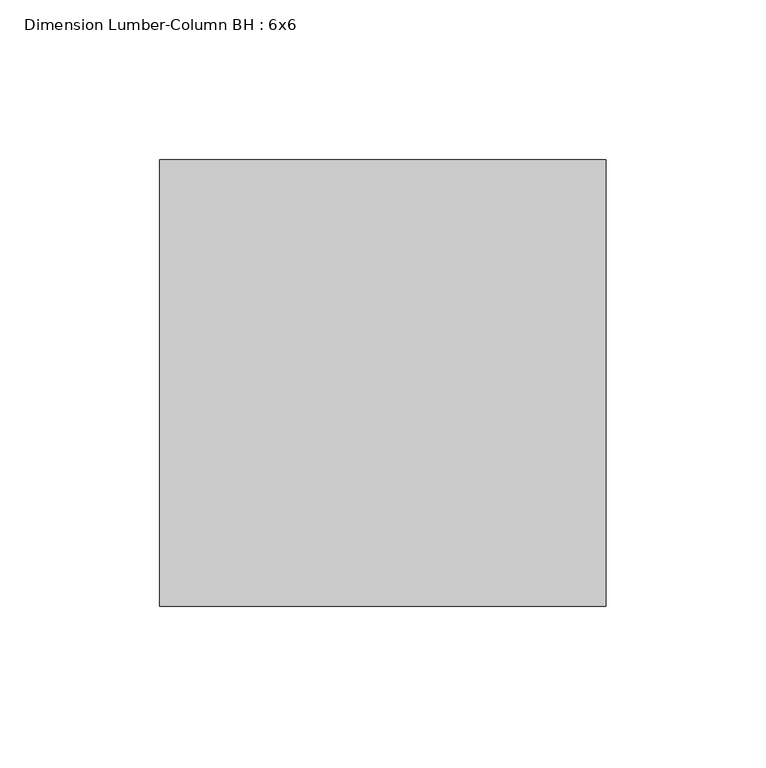
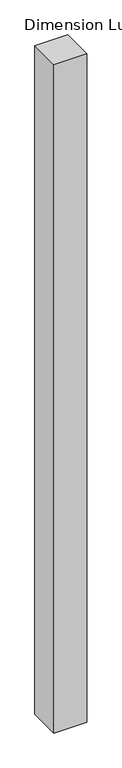
"""IFC4 building model written with IfcOpenShell, lengths in millimetres: column geometry, Dimension Lumber-Column BH : 6x6."""

from ifc_helpers import new_model, si_unit, frame, origin, place, context, project, spatial, polyline, outline, extrude, source, transform, mapped, element, save


def dimension_lumber_column_bh_6x6_1e214fd1(model_context):
    return source(origin(), model_context, "Body", "SweptSolid", [
        extrude(outline(polyline([(69.85, 69.85), (69.85, -69.85), (-69.85, -69.85), (-69.85, 69.85), (69.85, 69.85)])), frame((0.0, 0.0, -101.6), z_axis=(0.0, 0.0, 1.0), x_axis=(1.0, 0.0, 0.0)), (0.0, 0.0, 1.0), 2997.2),
    ])


if __name__ == "__main__":
    model = new_model("IFC4")
    model_context = context("Model", 3, world=origin())
    ifc_project = project(units=[si_unit("LENGTHUNIT", "METRE", prefix="MILLI")], contexts=[model_context])
    site = spatial("IfcSite", under=ifc_project)
    building = spatial("IfcBuilding", under=site)
    placement = place(None, origin())
    dimension_lumber_column_bh_6x6_shape = dimension_lumber_column_bh_6x6_1e214fd1(model_context)
    element("IfcColumn", 1, ObjectType="Dimension Lumber-Column BH : 6x6", at=placement, inside=building, context=model_context, shape_type="MappedRepresentation", body=[
        mapped(dimension_lumber_column_bh_6x6_shape, transform((0.0, 0.0, 0.0), x_axis=(1.0, 0.0, 0.0), y_axis=(0.0, 1.0, 0.0), z_axis=(0.0, 0.0, 1.0))),
    ])
    save(model, "model.ifc")
